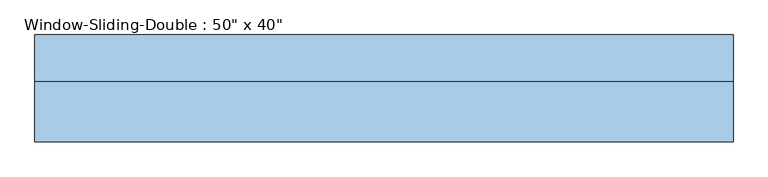
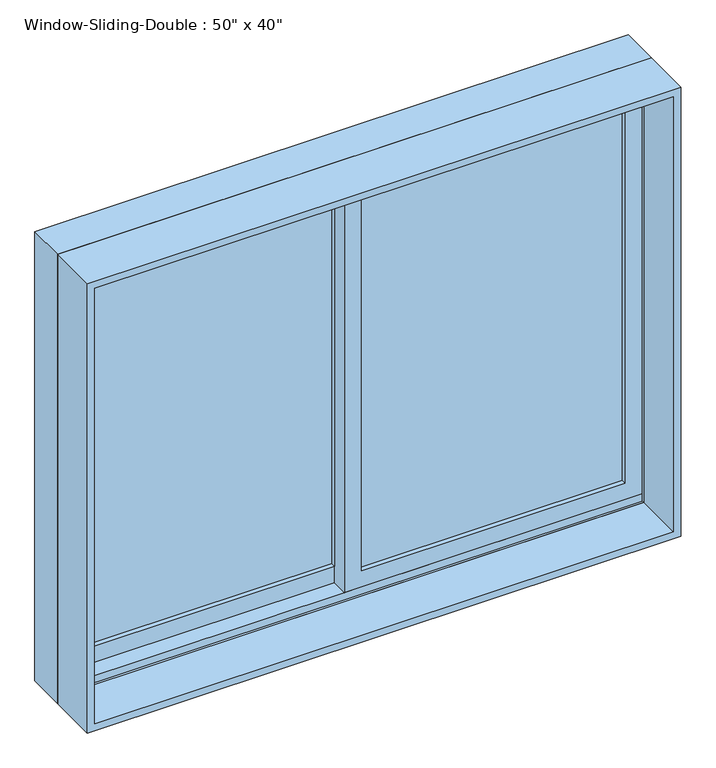
"""IFC4 building model written with IfcOpenShell, lengths in millimetres: window geometry."""

from ifc_helpers import new_model, si_unit, frame, origin, place, context, project, spatial, polyline, outline, extrude, faceted_brep, source, transform, mapped, element, save


def window_0471e60a(model_context):
    return source(origin(), model_context, "Body", "SolidModel", [
        faceted_brep([(-762.0, 20.79625, 914.4), (-762.0, 122.39625, 914.4), (762.0, 122.39625, 914.4), (762.0, 20.79625, 914.4), (-721.0778905, 122.39625, 2092.6778905), (-721.0778905, 116.04625, 2092.6778905), (-721.0778905, 116.04625, 933.45), (-721.0778905, 122.39625, 933.45), (721.0778905, 116.04625, 2092.6778905), (721.0778905, 116.04625, 933.45), (742.95, 116.04625, 933.45), (742.95, 116.04625, 2114.55), (-742.95, 116.04625, 2114.55), (-742.95, 116.04625, 933.45), (-742.95, 20.79625, 2114.55), (-742.95, 20.79625, 933.45), (-742.95, 27.14625, 933.45), (-742.95, 27.14625, 952.5), (-742.95, 71.59625, 952.5), (-742.95, 71.59625, 933.45), (762.0, 20.79625, 2133.6), (-762.0, 20.79625, 2133.6), (742.95, 20.79625, 2114.55), (742.95, 20.79625, 933.45), (-762.0, 122.39625, 2133.6), (762.0, 122.39625, 2133.6), (721.0778905, 122.39625, 933.45), (721.0778905, 122.39625, 2092.6778905), (742.95, 71.59625, 933.45), (742.95, 71.59625, 952.5), (742.95, 27.14625, 952.5), (742.95, 27.14625, 933.45)], [[[0, 1, 2, 3]], [[4, 5, 6, 7]], [[5, 8, 9, 10, 11, 12, 13, 6]], [[12, 14, 15, 16, 17, 18, 19, 13]], [[0, 3, 20, 21], [22, 23, 15, 14]], [[24, 1, 0, 21]], [[2, 1, 24, 25], [4, 7, 26, 27]], [[5, 4, 27, 8]], [[12, 11, 22, 14]], [[21, 20, 25, 24]], [[8, 27, 26, 9]], [[22, 11, 10, 28, 29, 30, 31, 23]], [[20, 3, 2, 25]], [[26, 7, 6, 13, 19, 28, 10, 9]], [[28, 19, 18, 29]], [[29, 18, 17, 30]], [[30, 17, 16, 31]], [[15, 23, 31, 16]]]),
        extrude(outline(polyline([(2133.6, -762.0), (914.4, -762.0), (914.4, 762.0), (2133.6, 762.0), (2133.6, -762.0)]), holes=[polyline([(2114.55, 742.95), (933.45, 742.95), (933.45, -742.95), (2114.55, -742.95), (2114.55, 742.95)])]), frame((0.0, -110.96625, 0.0), z_axis=(0.0, 1.0, 0.0), x_axis=(0.0, 0.0, 1.0)), (0.0, 0.0, 1.0), 131.7625),
        extrude(outline(polyline([(698.5, 58.89625), (698.5, 52.54625), (22.225, 52.54625), (22.225, 58.89625), (698.5, 58.89625)])), frame((0.0, 0.0, 996.95), z_axis=(0.0, 0.0, 1.0), x_axis=(1.0, 0.0, 0.0)), (0.0, 0.0, 1.0), 1073.15),
        extrude(outline(polyline([(698.5, 46.19625), (698.5, 39.84625), (22.225, 39.84625), (22.225, 46.19625), (698.5, 46.19625)])), frame((0.0, 0.0, 996.95), z_axis=(0.0, 0.0, 1.0), x_axis=(1.0, 0.0, 0.0)), (0.0, 0.0, 1.0), 1073.15),
        extrude(outline(polyline([(-22.225, 103.34625), (-22.225, 96.99625), (-698.5, 96.99625), (-698.5, 103.34625), (-22.225, 103.34625)])), frame((0.0, 0.0, 996.95), z_axis=(0.0, 0.0, 1.0), x_axis=(1.0, 0.0, 0.0)), (0.0, 0.0, 1.0), 1073.15),
        extrude(outline(polyline([(-22.225, 90.64625), (-22.225, 84.29625), (-698.5, 84.29625), (-698.5, 90.64625), (-22.225, 90.64625)])), frame((0.0, 0.0, 996.95), z_axis=(0.0, 0.0, 1.0), x_axis=(1.0, 0.0, 0.0)), (0.0, 0.0, 1.0), 1073.15),
        extrude(outline(polyline([(933.45, -742.95), (933.45, 22.225), (2114.55, 22.225), (2114.55, -742.95), (933.45, -742.95)]), holes=[polyline([(2070.1, -22.225), (996.95, -22.225), (996.95, -698.5), (2070.1, -698.5), (2070.1, -22.225)])]), frame((0.0, 71.59625, 0.0), z_axis=(0.0, 1.0, 0.0), x_axis=(0.0, 0.0, 1.0)), (0.0, 0.0, 1.0), 44.45),
        extrude(outline(polyline([(952.5, 742.95), (2114.55, 742.95), (2114.55, -22.225), (952.5, -22.225), (952.5, 742.95)]), holes=[polyline([(996.95, 22.225), (2070.1, 22.225), (2070.1, 698.5), (996.95, 698.5), (996.95, 22.225)])]), frame((0.0, 27.14625, 0.0), z_axis=(0.0, 1.0, 0.0), x_axis=(0.0, 0.0, 1.0)), (0.0, 0.0, 1.0), 44.45),
    ])


if __name__ == "__main__":
    model = new_model("IFC4")
    model_context = context("Model", 3, world=origin())
    ifc_project = project(units=[si_unit("LENGTHUNIT", "METRE", prefix="MILLI")], contexts=[model_context])
    site = spatial("IfcSite", under=ifc_project)
    building = spatial("IfcBuilding", under=site)
    placement = place(None, origin())
    window_shape = window_0471e60a(model_context)
    element("IfcWindow", 1, ObjectType="Window-Sliding-Double : 50\" x 40\"", at=placement, inside=building, context=model_context, shape_type="MappedRepresentation", body=[
        mapped(window_shape, transform((0.0, 0.0, 0.0), x_axis=(1.0, 0.0, 0.0), y_axis=(0.0, 1.0, 0.0), z_axis=(0.0, 0.0, 1.0))),
    ])
    save(model, "model.ifc")
